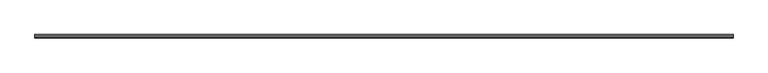
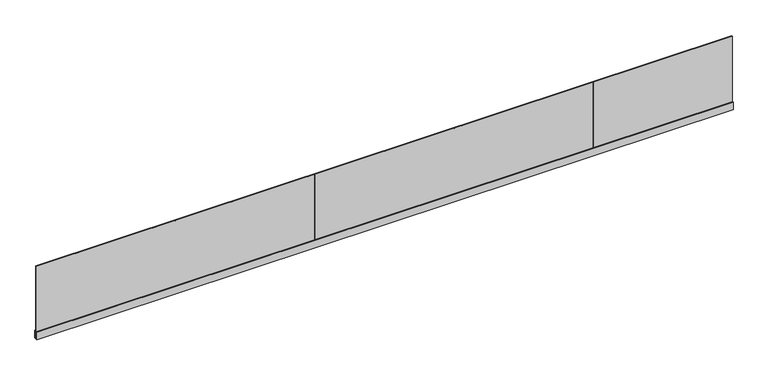
"""IFC4 building model written with IfcOpenShell, lengths in millimetres: railing geometry."""

from ifc_helpers import new_model, si_unit, frame, origin, place, context, project, spatial, polyline, outline, extrude, source, transform, mapped, element, save


def railing_6dbead07(model_context):
    return source(origin(), model_context, "Body", "SweptSolid", [
        extrude(outline(polyline([(11938.4260939, 1879.8824508), (11938.4260939, 1862.3824508), (1938.4260939, 1862.3824508), (1938.4260939, 1879.8824508), (11938.4260939, 1879.8824508)])), frame((0.0, 0.0, 13.0), z_axis=(0.0, 0.0, 1.0), x_axis=(1.0, 0.0, 0.0)), (0.0, 0.0, 1.0), 1092.0),
        extrude(outline(polyline([(1896.1324508, 0.0), (1871.1324508, 0.0), (1846.1324508, 0.0), (1846.1324508, 114.0), (1860.3824508, 114.0), (1860.3824508, 13.5), (1871.1324508, 13.5), (1881.8824508, 13.5), (1881.8824508, 114.0), (1896.1324508, 114.0), (1896.1324508, 0.0)])), frame((1938.4260939, 0.0, 0.0), z_axis=(1.0, 0.0, 0.0), x_axis=(0.0, 1.0, 0.0)), (0.0, 0.0, 1.0), 10000.0),
        extrude(outline(polyline([(3936.7594289, 1862.3824508), (3936.7594289, 1879.8824508), (3940.0927589, 1879.8824508), (3940.0927589, 1862.3824508), (3936.7594289, 1862.3824508)])), frame((0.0, 0.0, 7.9), z_axis=(0.0, 0.0, 1.0), x_axis=(1.0, 0.0, 0.0)), (0.0, 0.0, 1.0), 1092.0),
        extrude(outline(polyline([(5936.7594289, 1862.3824508), (5936.7594289, 1879.8824508), (5940.0927589, 1879.8824508), (5940.0927589, 1862.3824508), (5936.7594289, 1862.3824508)])), frame((0.0, 0.0, 7.9), z_axis=(0.0, 0.0, 1.0), x_axis=(1.0, 0.0, 0.0)), (0.0, 0.0, 1.0), 1092.0),
        extrude(outline(polyline([(7936.7594289, 1862.3824508), (7936.7594289, 1879.8824508), (7940.0927589, 1879.8824508), (7940.0927589, 1862.3824508), (7936.7594289, 1862.3824508)])), frame((0.0, 0.0, 7.9), z_axis=(0.0, 0.0, 1.0), x_axis=(1.0, 0.0, 0.0)), (0.0, 0.0, 1.0), 1092.0),
        extrude(outline(polyline([(9936.7594289, 1862.3824508), (9936.7594289, 1879.8824508), (9940.0927589, 1879.8824508), (9940.0927589, 1862.3824508), (9936.7594289, 1862.3824508)])), frame((0.0, 0.0, 7.9), z_axis=(0.0, 0.0, 1.0), x_axis=(1.0, 0.0, 0.0)), (0.0, 0.0, 1.0), 1092.0),
    ])


if __name__ == "__main__":
    model = new_model("IFC4")
    model_context = context("Model", 3, world=origin())
    ifc_project = project(units=[si_unit("LENGTHUNIT", "METRE", prefix="MILLI")], contexts=[model_context])
    site = spatial("IfcSite", under=ifc_project)
    building = spatial("IfcBuilding", under=site)
    placement = place(None, origin())
    railing_shape = railing_6dbead07(model_context)
    element("IfcRailing", 1, at=placement, inside=building, context=model_context, shape_type="MappedRepresentation", body=[
        mapped(railing_shape, transform((0.0, 0.0, 0.0), x_axis=(1.0, 0.0, 0.0), y_axis=(0.0, 1.0, 0.0), z_axis=(0.0, 0.0, 1.0))),
    ])
    save(model, "model.ifc")
